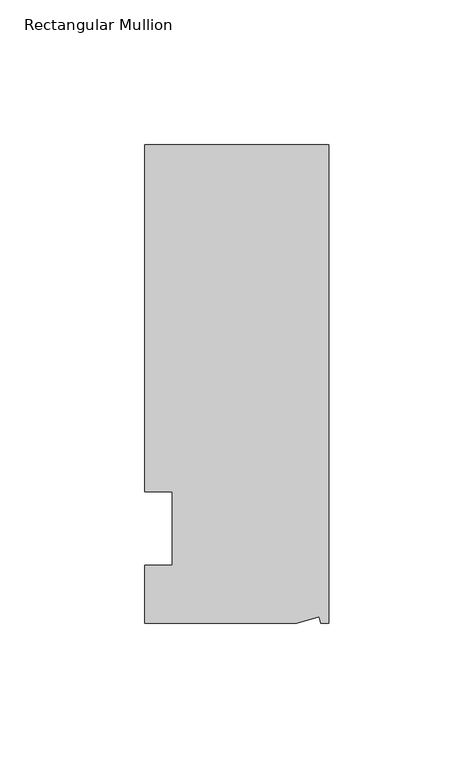
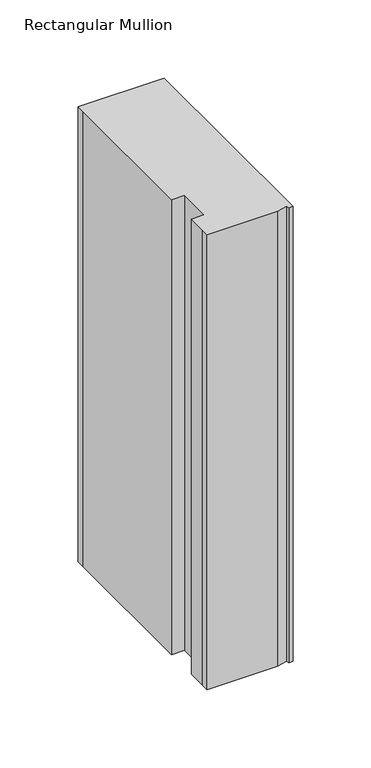
"""IFC4 building model written with IfcOpenShell, lengths in millimetres: member geometry, Rectangular Mullion."""

from ifc_helpers import new_model, si_unit, frame, origin, place, context, project, spatial, polyline, outline, extrude, source, transform, mapped, element, save


def rectangular_mullion_f3cf38b9(model_context):
    return source(origin(), model_context, "Body", "SweptSolid", [
        extrude(outline(polyline([(0.0, 132.5561012), (0.0, -32.5438988), (-2.7616541, -32.5438988), (-3.3341886, -30.4622958), (-11.121847, -32.5438988), (-63.5, -32.5438988), (-63.5, -26.1938988), (-63.5, -12.5945801), (-53.975, -12.5945801), (-53.975, 12.8054199), (-63.5, 12.8054199), (-63.5, 126.2061012), (-63.5, 132.5561012), (0.0, 132.5561012)])), frame((0.0, 0.0, -355.6), z_axis=(0.0, 0.0, 1.0), x_axis=(1.0, 0.0, 0.0)), (0.0, 0.0, 1.0), 355.6),
    ])


if __name__ == "__main__":
    model = new_model("IFC4")
    model_context = context("Model", 3, world=origin())
    ifc_project = project(units=[si_unit("LENGTHUNIT", "METRE", prefix="MILLI")], contexts=[model_context])
    site = spatial("IfcSite", under=ifc_project)
    building = spatial("IfcBuilding", under=site)
    placement = place(None, origin())
    rectangular_mullion_shape = rectangular_mullion_f3cf38b9(model_context)
    element("IfcMember", 1, ObjectType="Rectangular Mullion", at=placement, inside=building, context=model_context, shape_type="MappedRepresentation", body=[
        mapped(rectangular_mullion_shape, transform((0.0, 0.0, 0.0), x_axis=(1.0, 0.0, 0.0), y_axis=(0.0, 1.0, 0.0), z_axis=(0.0, 0.0, 1.0))),
    ])
    save(model, "model.ifc")
